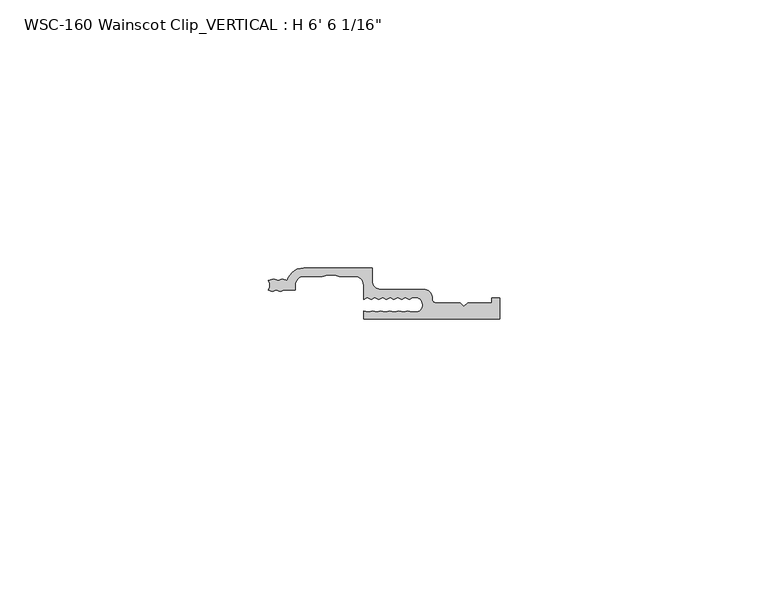
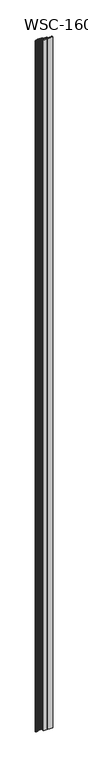
"""IFC4 building model written with IfcOpenShell, lengths in millimetres: proxy geometry."""

from ifc_helpers import new_model, si_unit, frame, origin, place, context, project, spatial, polyline, circle_curve, source, transform, mapped, element, save
from ifc_brep_helpers import plane_surface, cylinder_surface, revolved_surface, advanced_brep


def proxy_2cd591ce(model_context):
    return source(origin(), model_context, "Body", "AdvancedBrep", [
        advanced_brep(
        [(19.3527196, -2.3858534, 1982.7875), (19.3527196, 0.0, 1982.7875), (6.6110997, 0.0, 1982.7875), (3.5492465, -2.3349522, 1982.7875), (2.567898, -2.0809522, 1982.7875), (1.8230991, -2.3349522, 1982.7875), (1.0576115, -2.0809522, 1982.7875), (0.0, -2.3329752, 1982.7875), (0.0013765, -4.1129522, 1982.7875), (0.7668641, -4.3669522, 1982.7875), (1.511663, -4.1129522, 1982.7875), (2.2771506, -4.3669522, 1982.7875), (3.0219495, -4.1129522, 1982.7875), (5.0235997, -4.1129522, 1982.7875), (5.0235997, -3.175, 1982.7875), (6.6110997, -1.5875, 1982.7875), (10.0469595, -1.5875, 1982.7875), (11.1065513, -1.3035832, 1982.7875), (12.4419045, -1.3035832, 1982.7875), (13.2219595, -1.5875, 1982.7875), (16.1904196, -1.5875, 1982.7875), (17.7652196, -3.1623, 1982.7875), (17.7673134, -5.8629506, 1982.7875), (18.4751705, -5.5328714, 1982.7875), (19.1830276, -5.8629506, 1982.7875), (19.8908847, -5.5328714, 1982.7875), (20.5987418, -5.8629506, 1982.7875), (21.3065989, -5.5328714, 1982.7875), (22.014456, -5.8629506, 1982.7875), (22.7223131, -5.5328714, 1982.7875), (23.4301702, -5.8629506, 1982.7875), (24.1380273, -5.5328714, 1982.7875), (24.8458843, -5.8629506, 1982.7875), (25.5537414, -5.5328714, 1982.7875), (26.2615985, -5.8629506, 1982.7875), (26.9694556, -5.5328714, 1982.7875), (27.8534345, -5.5328714, 1982.7875), (27.7345587, -8.2409572, 1982.7875), (26.811414, -8.2409572, 1982.7875), (26.0480054, -8.050618, 1982.7875), (25.2570907, -8.2409572, 1982.7875), (24.3616154, -8.050618, 1982.7875), (23.4471827, -8.2409572, 1982.7875), (22.6837742, -8.050618, 1982.7875), (21.7693414, -8.2409572, 1982.7875), (21.0059329, -8.050618, 1982.7875), (20.2150181, -8.2409572, 1982.7875), (19.4516096, -8.050618, 1982.7875), (18.6606948, -8.2409572, 1982.7875), (17.7652196, -8.050618, 1982.7875), (17.7652196, -9.525, 1982.7875), (43.1624591, -9.525, 1982.7875), (43.1624591, -5.6374865, 1982.7875), (41.6296977, -5.6374865, 1982.7875), (41.6296977, -6.5278, 1982.7875), (37.1791349, -6.5278, 1982.7875), (36.4883201, -7.2186149, 1982.7875), (35.7975052, -6.5278, 1982.7875), (31.3376051, -6.5278, 1982.7875), (30.5425851, -5.73278, 1982.7875), (28.9644224, -3.9733534, 1982.7875), (20.9402196, -3.9733534, 1982.7875), (19.3527196, -2.3858534, 0.0), (20.9402196, -3.9733534, 0.0), (28.9644224, -3.9733534, 0.0), (30.5425851, -5.73278, 0.0), (31.3376051, -6.5278, 0.0), (35.7975052, -6.5278, 0.0), (36.4883201, -7.2186149, 0.0), (37.1791349, -6.5278, 0.0), (41.6296977, -6.5278, 0.0), (41.6296977, -5.6374865, 0.0), (43.1624591, -5.6374865, 0.0), (43.1624591, -9.525, 0.0), (17.7652196, -9.525, 0.0), (17.7652196, -8.050618, 0.0), (18.6606948, -8.2409572, 0.0), (19.4516096, -8.050618, 0.0), (20.2150181, -8.2409572, 0.0), (21.0059329, -8.050618, 0.0), (21.7693414, -8.2409572, 0.0), (22.6837742, -8.050618, 0.0), (23.4471827, -8.2409572, 0.0), (24.3616154, -8.050618, 0.0), (25.2570907, -8.2409572, 0.0), (26.0480054, -8.050618, 0.0), (26.811414, -8.2409572, 0.0), (27.7345587, -8.2409572, 0.0), (27.8534345, -5.5328714, 0.0), (26.9694556, -5.5328714, 0.0), (26.2615985, -5.8629506, 0.0), (25.5537414, -5.5328714, 0.0), (24.8458843, -5.8629506, 0.0), (24.1380273, -5.5328714, 0.0), (23.4301702, -5.8629506, 0.0), (22.7223131, -5.5328714, 0.0), (22.014456, -5.8629506, 0.0), (21.3065989, -5.5328714, 0.0), (20.5987418, -5.8629506, 0.0), (19.8908847, -5.5328714, 0.0), (19.1830276, -5.8629506, 0.0), (18.4751705, -5.5328714, 0.0), (17.7673134, -5.8629506, 0.0), (17.7673134, -3.1623, 0.0), (16.1904196, -1.5875, 0.0), (13.2219595, -1.5875, 0.0), (12.4419045, -1.3035832, 0.0), (11.1065513, -1.3035832, 0.0), (10.0469595, -1.5875, 0.0), (6.6110997, -1.5875, 0.0), (5.0235997, -3.175, 0.0), (5.0235997, -4.1129522, 0.0), (3.0219495, -4.1129522, 0.0), (2.2771506, -4.3669522, 0.0), (1.511663, -4.1129522, 0.0), (0.7668641, -4.3669522, 0.0), (0.0013765, -4.1129522, 0.0), (0.0, -2.3329752, 0.0), (1.0576115, -2.0809522, 0.0), (1.8230991, -2.3349522, 0.0), (2.567898, -2.0809522, 0.0), (3.5492465, -2.3349522, 0.0), (6.6110997, 0.0, 0.0), (19.3527196, 0.0, 0.0)],
        [
            (0, 1),
            (1, 2),
            (2, 3, circle_curve(frame((6.6110997, -3.175, 1982.7875), z_axis=(0.0, 0.0, 1.0), x_axis=(0.0, 1.0, 0.0)), 3.175)),
            (3, 4),
            (4, 5),
            (5, 6),
            (6, 7),
            (7, 8, circle_curve(frame((-1.2776108, -3.2239522, 1982.7875), z_axis=(0.0, 0.0, -1.0), x_axis=(0.0, 1.0, 0.0)), 1.5576038)),
            (8, 9),
            (9, 10),
            (10, 11),
            (11, 12),
            (12, 13),
            (13, 14),
            (14, 15, circle_curve(frame((6.6110997, -3.175, 1982.7875), z_axis=(0.0, 0.0, -1.0), x_axis=(0.0, 1.0, 0.0)), 1.5875)),
            (15, 16),
            (16, 17),
            (17, 18),
            (18, 19),
            (19, 20),
            (20, 21, circle_curve(frame((16.1904196, -3.1623, 1982.7875), z_axis=(0.0, 0.0, -1.0), x_axis=(0.0, 1.0, 0.0)), 1.5748)),
            (21, 22),
            (22, 23),
            (23, 24),
            (24, 25),
            (25, 26),
            (26, 27),
            (27, 28),
            (28, 29),
            (29, 30),
            (30, 31),
            (31, 32),
            (32, 33),
            (33, 34),
            (34, 35),
            (35, 36),
            (36, 37, circle_curve(frame((27.3609593, -6.8679054, 1982.7875), z_axis=(0.0, 0.0, -1.0), x_axis=(0.0, 1.0, 0.0)), 1.4229714)),
            (37, 38),
            (38, 39),
            (39, 40),
            (40, 41),
            (41, 42),
            (42, 43),
            (43, 44),
            (44, 45),
            (45, 46),
            (46, 47),
            (47, 48),
            (48, 49),
            (49, 50),
            (50, 51),
            (51, 52),
            (52, 53),
            (53, 54),
            (54, 55),
            (55, 56),
            (56, 57),
            (57, 58),
            (58, 59, circle_curve(frame((31.3376051, -5.73278, 1982.7875), z_axis=(0.0, 0.0, -1.0), x_axis=(0.0, 1.0, 0.0)), 0.79502)),
            (59, 60, circle_curve(frame((28.9644224, -5.5608534, 1982.7875), z_axis=(0.0, 0.0, 1.0), x_axis=(0.0, 1.0, 0.0)), 1.5875)),
            (60, 61),
            (61, 0, circle_curve(frame((20.9402196, -2.3858534, 1982.7875), z_axis=(0.0, 0.0, -1.0), x_axis=(0.0, 1.0, 0.0)), 1.5875)),
            (62, 63, circle_curve(frame((20.9402196, -2.3858534, 0.0), z_axis=(0.0, 0.0, 1.0), x_axis=(0.0, 1.0, 0.0)), 1.5875)),
            (63, 64),
            (64, 65, circle_curve(frame((28.9644224, -5.5608534, 0.0), z_axis=(0.0, 0.0, -1.0), x_axis=(0.0, 1.0, 0.0)), 1.5875)),
            (65, 66, circle_curve(frame((31.3376051, -5.73278, 0.0), z_axis=(0.0, 0.0, 1.0), x_axis=(0.0, 1.0, 0.0)), 0.79502)),
            (66, 67),
            (67, 68),
            (68, 69),
            (69, 70),
            (70, 71),
            (71, 72),
            (72, 73),
            (73, 74),
            (74, 75),
            (75, 76),
            (76, 77),
            (77, 78),
            (78, 79),
            (79, 80),
            (80, 81),
            (81, 82),
            (82, 83),
            (83, 84),
            (84, 85),
            (85, 86),
            (86, 87),
            (87, 88, circle_curve(frame((27.3609593, -6.8679054, 0.0), z_axis=(0.0, 0.0, 1.0), x_axis=(0.0, 1.0, 0.0)), 1.4229714)),
            (88, 89),
            (89, 90),
            (90, 91),
            (91, 92),
            (92, 93),
            (93, 94),
            (94, 95),
            (95, 96),
            (96, 97),
            (97, 98),
            (98, 99),
            (99, 100),
            (100, 101),
            (101, 102),
            (102, 103),
            (103, 104, circle_curve(frame((16.1904196, -3.1623, 0.0), z_axis=(0.0, 0.0, 1.0), x_axis=(0.0, 1.0, 0.0)), 1.5748)),
            (104, 105),
            (105, 106),
            (106, 107),
            (107, 108),
            (108, 109),
            (109, 110, circle_curve(frame((6.6110997, -3.175, 0.0), z_axis=(0.0, 0.0, 1.0), x_axis=(0.0, 1.0, 0.0)), 1.5875)),
            (110, 111),
            (111, 112),
            (112, 113),
            (113, 114),
            (114, 115),
            (115, 116),
            (116, 117, circle_curve(frame((-1.2776108, -3.2239522, 0.0), z_axis=(0.0, 0.0, 1.0), x_axis=(0.0, 1.0, 0.0)), 1.5576038)),
            (117, 118),
            (118, 119),
            (119, 120),
            (120, 121),
            (121, 122, circle_curve(frame((6.6110997, -3.175, 0.0), z_axis=(0.0, 0.0, -1.0), x_axis=(0.0, 1.0, 0.0)), 3.175)),
            (122, 123),
            (123, 62),
            (0, 62),
            (123, 1),
            (122, 2),
            (121, 3),
            (120, 4),
            (119, 5),
            (118, 6),
            (117, 7),
            (116, 8),
            (115, 9),
            (114, 10),
            (113, 11),
            (112, 12),
            (111, 13),
            (110, 14),
            (109, 15),
            (108, 16),
            (107, 17),
            (106, 18),
            (105, 19),
            (104, 20),
            (103, 21),
            (102, 22),
            (101, 23),
            (100, 24),
            (99, 25),
            (98, 26),
            (97, 27),
            (96, 28),
            (95, 29),
            (94, 30),
            (93, 31),
            (92, 32),
            (91, 33),
            (90, 34),
            (89, 35),
            (88, 36),
            (87, 37),
            (86, 38),
            (85, 39),
            (84, 40),
            (83, 41),
            (82, 42),
            (81, 43),
            (80, 44),
            (79, 45),
            (78, 46),
            (77, 47),
            (76, 48),
            (75, 49),
            (74, 50),
            (73, 51),
            (72, 52),
            (71, 53),
            (70, 54),
            (69, 55),
            (68, 56),
            (67, 57),
            (66, 58),
            (65, 59),
            (64, 60),
            (63, 61),
        ],
        [
            plane_surface(frame((19.3527196, -2.3858534, 1982.7875), z_axis=(0.0, 0.0, 1.0), x_axis=(0.0, 1.0, 0.0))),
            plane_surface(frame((19.3527196, -2.3858534, 0.0), z_axis=(0.0, 0.0, -1.0), x_axis=(0.0, -1.0, 0.0))),
            plane_surface(frame((19.3527196, -2.3858534, 1982.7875), z_axis=(1.0, 0.0, 0.0), x_axis=(0.0, 0.0, -1.0))),
            plane_surface(frame((19.3527196, 0.0, 1982.7875), z_axis=(0.0, 1.0, 0.0), x_axis=(0.0, 0.0, -1.0))),
            cylinder_surface(frame((6.6110997, -3.175, 0.0), z_axis=(0.0, 0.0, 1.0), x_axis=(0.0, 1.0, 0.0)), 3.175),
            plane_surface(frame((3.5492465, -2.3349522, 1982.7875), z_axis=(0.25057050593808355, 0.9680983532440972, 0.0), x_axis=(0.0, 0.0, -1.0))),
            plane_surface(frame((2.567898, -2.0809522, 1982.7875), z_axis=(-0.3227778502571081, 0.9464747536957339, 0.0), x_axis=(0.0, 0.0, -1.0))),
            plane_surface(frame((1.8230991, -2.3349522, 1982.7875), z_axis=(0.3149302039794361, 0.949114833211172, 0.0), x_axis=(0.0, 0.0, -1.0))),
            plane_surface(frame((1.0576115, -2.0809522, 1982.7875), z_axis=(-0.231803891648194, 0.9727625382470032, 0.0), x_axis=(0.0, 0.0, -1.0))),
            revolved_surface(polyline([(-1.2776108, -1.6663483999999997, 0.0), (-1.2776108, -1.6663483999999997, 1982.7875)]), (-1.2776108, -3.2239522, 0.0), (0.0, 0.0, -1.0)),
            plane_surface(frame((0.0013765, -4.1129522, 1982.7875), z_axis=(-0.3149302039794331, -0.949114833211173, 0.0), x_axis=(0.0, 0.0, -1.0))),
            plane_surface(frame((0.7668641, -4.3669522, 1982.7875), z_axis=(0.3227778502571087, -0.9464747536957336, 0.0), x_axis=(0.0, 0.0, -1.0))),
            plane_surface(frame((1.511663, -4.1129522, 1982.7875), z_axis=(-0.31493020397943033, -0.949114833211174, 0.0), x_axis=(0.0, 0.0, -1.0))),
            plane_surface(frame((2.2771506, -4.3669522, 1982.7875), z_axis=(0.3227778502571061, -0.9464747536957345, 0.0), x_axis=(0.0, 0.0, -1.0))),
            plane_surface(frame((3.0219495, -4.1129522, 1982.7875), z_axis=(0.0, -1.0, 0.0), x_axis=(0.0, 0.0, -1.0))),
            plane_surface(frame((5.0235997, -4.1129522, 1982.7875), z_axis=(1.0, 0.0, 0.0), x_axis=(0.0, 0.0, -1.0))),
            revolved_surface(polyline([(6.6110997, -1.5875, 0.0), (6.6110997, -1.5875, 1982.7875)]), (6.6110997, -3.175, 0.0), (0.0, 0.0, -1.0)),
            plane_surface(frame((6.6110997, -1.5875, 1982.7875), z_axis=(0.0, -1.0, 0.0), x_axis=(0.0, 0.0, -1.0))),
            plane_surface(frame((10.0469595, -1.5875, 1982.7875), z_axis=(0.2588190451025237, -0.9659258262890675, 0.0), x_axis=(0.0, 0.0, -1.0))),
            plane_surface(frame((11.1065513, -1.3035832, 1982.7875), z_axis=(0.0, -1.0, 0.0), x_axis=(0.0, 0.0, -1.0))),
            plane_surface(frame((12.4419045, -1.3035832, 1982.7875), z_axis=(-0.3420201433256663, -0.9396926207859093, 0.0), x_axis=(0.0, 0.0, -1.0))),
            plane_surface(frame((13.2219595, -1.5875, 1982.7875), z_axis=(0.0, -1.0, 0.0), x_axis=(0.0, 0.0, -1.0))),
            revolved_surface(polyline([(16.1904196, -1.5875000000000001, 0.0), (16.1904196, -1.5875000000000001, 1982.7875)]), (16.1904196, -3.1623, 0.0), (0.0, 0.0, -1.0)),
            plane_surface(frame((17.7673134, -3.1623, 1982.7875), z_axis=(-1.0, 0.0, 0.0), x_axis=(0.0, 0.0, -1.0))),
            plane_surface(frame((17.7673134, -5.8629506, 1982.7875), z_axis=(0.42261826174070705, -0.9063077870366465, 0.0), x_axis=(0.0, 0.0, -1.0))),
            plane_surface(frame((18.4751705, -5.5328714, 1982.7875), z_axis=(-0.42261826174069606, -0.9063077870366516, 0.0), x_axis=(0.0, 0.0, -1.0))),
            plane_surface(frame((19.1830276, -5.8629506, 1982.7875), z_axis=(0.4226182617407084, -0.9063077870366458, 0.0), x_axis=(0.0, 0.0, -1.0))),
            plane_surface(frame((19.8908847, -5.5328714, 1982.7875), z_axis=(-0.4226182617406927, -0.9063077870366532, 0.0), x_axis=(0.0, 0.0, -1.0))),
            plane_surface(frame((20.5987418, -5.8629506, 1982.7875), z_axis=(0.422618261740703, -0.9063077870366484, 0.0), x_axis=(0.0, 0.0, -1.0))),
            plane_surface(frame((21.3065989, -5.5328714, 1982.7875), z_axis=(-0.4226182617406906, -0.9063077870366542, 0.0), x_axis=(0.0, 0.0, -1.0))),
            plane_surface(frame((22.014456, -5.8629506, 1982.7875), z_axis=(0.4226182617407052, -0.9063077870366474, 0.0), x_axis=(0.0, 0.0, -1.0))),
            plane_surface(frame((22.7223131, -5.5328714, 1982.7875), z_axis=(-0.4226182617406891, -0.9063077870366548, 0.0), x_axis=(0.0, 0.0, -1.0))),
            plane_surface(frame((23.4301702, -5.8629506, 1982.7875), z_axis=(0.4226182617407021, -0.9063077870366487, 0.0), x_axis=(0.0, 0.0, -1.0))),
            plane_surface(frame((24.1380273, -5.5328714, 1982.7875), z_axis=(-0.422618261740684, -0.9063077870366572, 0.0), x_axis=(0.0, 0.0, -1.0))),
            plane_surface(frame((24.8458843, -5.8629506, 1982.7875), z_axis=(0.4226182617407038, -0.9063077870366479, 0.0), x_axis=(0.0, 0.0, -1.0))),
            plane_surface(frame((25.5537414, -5.5328714, 1982.7875), z_axis=(-0.42261826174068207, -0.906307787036658, 0.0), x_axis=(0.0, 0.0, -1.0))),
            plane_surface(frame((26.2615985, -5.8629506, 1982.7875), z_axis=(0.4226182617407041, -0.9063077870366478, 0.0), x_axis=(0.0, 0.0, -1.0))),
            plane_surface(frame((26.9694556, -5.5328714, 1982.7875), z_axis=(0.0, -1.0, 0.0), x_axis=(0.0, 0.0, -1.0))),
            revolved_surface(polyline([(27.3609593, -5.444934, 0.0), (27.3609593, -5.444934, 1982.7875)]), (27.3609593, -6.8679054, 0.0), (0.0, 0.0, -1.0)),
            plane_surface(frame((27.7345587, -8.2409572, 1982.7875), z_axis=(0.0, 1.0, 0.0), x_axis=(0.0, 0.0, -1.0))),
            plane_surface(frame((26.811414, -8.2409572, 1982.7875), z_axis=(0.24192189559966581, 0.970295726275997, 0.0), x_axis=(0.0, 0.0, -1.0))),
            plane_surface(frame((26.0480054, -8.050618, 1982.7875), z_axis=(-0.23397683537419708, 0.9722421717392616, 0.0), x_axis=(0.0, 0.0, -1.0))),
            plane_surface(frame((25.2570907, -8.2409572, 1982.7875), z_axis=(0.2079116908177623, 0.978147600733805, 0.0), x_axis=(0.0, 0.0, -1.0))),
            plane_surface(frame((24.3616154, -8.050618, 1982.7875), z_axis=(-0.2037821908592562, 0.9790162504721777, 0.0), x_axis=(0.0, 0.0, -1.0))),
            plane_surface(frame((23.4471827, -8.2409572, 1982.7875), z_axis=(0.2419218955996582, 0.9702957262759988, 0.0), x_axis=(0.0, 0.0, -1.0))),
            plane_surface(frame((22.6837742, -8.050618, 1982.7875), z_axis=(-0.20378219085925364, 0.9790162504721782, 0.0), x_axis=(0.0, 0.0, -1.0))),
            plane_surface(frame((21.7693414, -8.2409572, 1982.7875), z_axis=(0.24192189559966454, 0.9702957262759974, 0.0), x_axis=(0.0, 0.0, -1.0))),
            plane_surface(frame((21.0059329, -8.050618, 1982.7875), z_axis=(-0.23397683537419686, 0.9722421717392618, 0.0), x_axis=(0.0, 0.0, -1.0))),
            plane_surface(frame((20.2150181, -8.2409572, 1982.7875), z_axis=(0.24192189559966845, 0.9702957262759964, 0.0), x_axis=(0.0, 0.0, -1.0))),
            plane_surface(frame((19.4516096, -8.050618, 1982.7875), z_axis=(-0.23397683537419697, 0.9722421717392616, 0.0), x_axis=(0.0, 0.0, -1.0))),
            plane_surface(frame((18.6606948, -8.2409572, 1982.7875), z_axis=(0.2079116908177584, 0.9781476007338059, 0.0), x_axis=(0.0, 0.0, -1.0))),
            plane_surface(frame((17.7652196, -8.050618, 1982.7875), z_axis=(-1.0, 0.0, 0.0), x_axis=(0.0, 0.0, -1.0))),
            plane_surface(frame((17.7652196, -9.525, 1982.7875), z_axis=(0.0, -1.0, 0.0), x_axis=(0.0, 0.0, -1.0))),
            plane_surface(frame((43.1624591, -9.525, 1982.7875), z_axis=(1.0, 0.0, 0.0), x_axis=(0.0, 0.0, -1.0))),
            plane_surface(frame((43.1624591, -5.6374865, 1982.7875), z_axis=(0.0, 1.0, 0.0), x_axis=(0.0, 0.0, -1.0))),
            plane_surface(frame((41.6296977, -5.6374865, 1982.7875), z_axis=(-1.0, 0.0, 0.0), x_axis=(0.0, 0.0, -1.0))),
            plane_surface(frame((41.6296977, -6.5278, 1982.7875), z_axis=(0.0, 1.0, 0.0), x_axis=(0.0, 0.0, -1.0))),
            plane_surface(frame((37.1791349, -6.5278, 1982.7875), z_axis=(-0.7071067811864907, 0.7071067811866044, 0.0), x_axis=(0.0, 0.0, -1.0))),
            plane_surface(frame((36.4883201, -7.2186149, 1982.7875), z_axis=(0.7071067811866688, 0.7071067811864263, 0.0), x_axis=(0.0, 0.0, -1.0))),
            plane_surface(frame((35.7975052, -6.5278, 1982.7875), z_axis=(0.0, 1.0, 0.0), x_axis=(0.0, 0.0, -1.0))),
            revolved_surface(polyline([(31.3376051, -4.93776, 0.0), (31.3376051, -4.93776, 1982.7875)]), (31.3376051, -5.73278, 0.0), (0.0, 0.0, -1.0)),
            cylinder_surface(frame((28.9644224, -5.5608534, 0.0), z_axis=(0.0, 0.0, 1.0), x_axis=(0.0, 1.0, 0.0)), 1.5875),
            plane_surface(frame((28.9644224, -3.9733534, 1982.7875), z_axis=(0.0, 1.0, 0.0), x_axis=(0.0, 0.0, -1.0))),
            revolved_surface(polyline([(20.9402196, -0.7983533999999999, 0.0), (20.9402196, -0.7983533999999999, 1982.7875)]), (20.9402196, -2.3858534, 0.0), (0.0, 0.0, -1.0)),
        ],
        [
            (0, [[1, 2, 3, 4, 5, 6, 7, 8, 9, 10, 11, 12, 13, 14, 15, 16, 17, 18, 19, 20, 21, 22, 23, 24, 25, 26, 27, 28, 29, 30, 31, 32, 33, 34, 35, 36, 37, 38, 39, 40, 41, 42, 43, 44, 45, 46, 47, 48, 49, 50, 51, 52, 53, 54, 55, 56, 57, 58, 59, 60, 61, 62]]),
            (1, [[63, 64, 65, 66, 67, 68, 69, 70, 71, 72, 73, 74, 75, 76, 77, 78, 79, 80, 81, 82, 83, 84, 85, 86, 87, 88, 89, 90, 91, 92, 93, 94, 95, 96, 97, 98, 99, 100, 101, 102, 103, 104, 105, 106, 107, 108, 109, 110, 111, 112, 113, 114, 115, 116, 117, 118, 119, 120, 121, 122, 123, 124]]),
            (2, [[-1, 125, -124, 126]]),
            (3, [[-2, -126, -123, 127]]),
            (4, [[-3, -127, -122, 128]]),
            (5, [[-4, -128, -121, 129]]),
            (6, [[-5, -129, -120, 130]]),
            (7, [[-6, -130, -119, 131]]),
            (8, [[-7, -131, -118, 132]]),
            (9, [[-8, -132, -117, 133]]),
            (10, [[-9, -133, -116, 134]]),
            (11, [[-10, -134, -115, 135]]),
            (12, [[-11, -135, -114, 136]]),
            (13, [[-12, -136, -113, 137]]),
            (14, [[-13, -137, -112, 138]]),
            (15, [[-14, -138, -111, 139]]),
            (16, [[-15, -139, -110, 140]]),
            (17, [[-16, -140, -109, 141]]),
            (18, [[-17, -141, -108, 142]]),
            (19, [[-18, -142, -107, 143]]),
            (20, [[-19, -143, -106, 144]]),
            (21, [[-20, -144, -105, 145]]),
            (22, [[-21, -145, -104, 146]]),
            (23, [[-22, -146, -103, 147]]),
            (24, [[-23, -147, -102, 148]]),
            (25, [[-24, -148, -101, 149]]),
            (26, [[-25, -149, -100, 150]]),
            (27, [[-26, -150, -99, 151]]),
            (28, [[-27, -151, -98, 152]]),
            (29, [[-28, -152, -97, 153]]),
            (30, [[-29, -153, -96, 154]]),
            (31, [[-30, -154, -95, 155]]),
            (32, [[-31, -155, -94, 156]]),
            (33, [[-32, -156, -93, 157]]),
            (34, [[-33, -157, -92, 158]]),
            (35, [[-34, -158, -91, 159]]),
            (36, [[-35, -159, -90, 160]]),
            (37, [[-36, -160, -89, 161]]),
            (38, [[-37, -161, -88, 162]]),
            (39, [[-38, -162, -87, 163]]),
            (40, [[-39, -163, -86, 164]]),
            (41, [[-40, -164, -85, 165]]),
            (42, [[-41, -165, -84, 166]]),
            (43, [[-42, -166, -83, 167]]),
            (44, [[-43, -167, -82, 168]]),
            (45, [[-44, -168, -81, 169]]),
            (46, [[-45, -169, -80, 170]]),
            (47, [[-46, -170, -79, 171]]),
            (48, [[-47, -171, -78, 172]]),
            (49, [[-48, -172, -77, 173]]),
            (50, [[-49, -173, -76, 174]]),
            (51, [[-50, -174, -75, 175]]),
            (52, [[-51, -175, -74, 176]]),
            (53, [[-52, -176, -73, 177]]),
            (54, [[-53, -177, -72, 178]]),
            (55, [[-54, -178, -71, 179]]),
            (56, [[-55, -179, -70, 180]]),
            (57, [[-56, -180, -69, 181]]),
            (58, [[-57, -181, -68, 182]]),
            (59, [[-58, -182, -67, 183]]),
            (60, [[-59, -183, -66, 184]]),
            (61, [[-60, -184, -65, 185]]),
            (62, [[-61, -185, -64, 186]]),
            (63, [[-62, -186, -63, -125]]),
        ],
    ),
    ])


if __name__ == "__main__":
    model = new_model("IFC4")
    model_context = context("Model", 3, world=origin())
    ifc_project = project(units=[si_unit("LENGTHUNIT", "METRE", prefix="MILLI")], contexts=[model_context])
    site = spatial("IfcSite", under=ifc_project)
    building = spatial("IfcBuilding", under=site)
    placement = place(None, origin())
    proxy_shape = proxy_2cd591ce(model_context)
    element("IfcBuildingElementProxy", 1, Name="WSC-160 Wainscot Clip_VERTICAL : H 6' 6 1/16\"", ObjectType="WSC-160 Wainscot Clip_VERTICAL : H 6' 6 1/16\"", at=placement, inside=building, context=model_context, shape_type="MappedRepresentation", body=[
        mapped(proxy_shape, transform((0.0, 0.0, 0.0), x_axis=(1.0, 0.0, 0.0), y_axis=(0.0, 1.0, 0.0), z_axis=(0.0, 0.0, 1.0))),
    ])
    save(model, "model.ifc")
